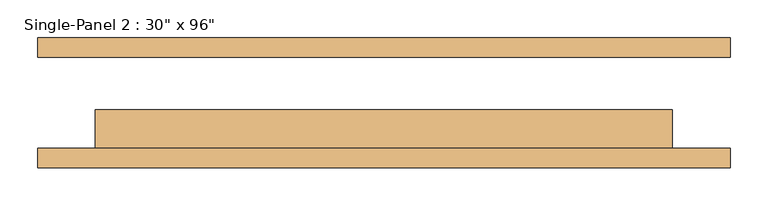
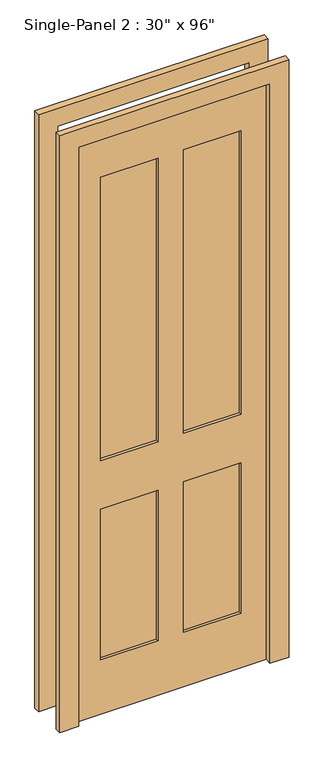
"""IFC4 building model written with IfcOpenShell, lengths in millimetres: door geometry."""

from ifc_helpers import new_model, si_unit, frame, origin, place, context, project, spatial, polyline, outline, extrude, source, transform, mapped, element, save


def door_abbc8d2f(model_context):
    return source(origin(), model_context, "Body", "SweptSolid", [
        extrude(outline(polyline([(-50.9240165, -22.225), (-50.9240165, -47.625), (-278.8511799, -47.625), (-278.8511799, -22.225), (-50.9240165, -22.225)])), frame((0.0, 0.0, 1068.1906173), z_axis=(0.0, 0.0, 1.0), x_axis=(1.0, 0.0, 0.0)), (0.0, 0.0, 1.0), 1194.0046757),
        extrude(outline(polyline([(279.9488201, -22.225), (279.9488201, -47.625), (50.6759835, -47.625), (50.6759835, -22.225), (279.9488201, -22.225)])), frame((0.0, 0.0, 1068.1906173), z_axis=(0.0, 0.0, 1.0), x_axis=(1.0, 0.0, 0.0)), (0.0, 0.0, 1.0), 1194.0046757),
        extrude(outline(polyline([(-50.9240165, -22.225), (-50.9240165, -47.625), (-278.8511799, -47.625), (-278.8511799, -22.225), (-50.9240165, -22.225)])), frame((0.0, 0.0, 230.195293), z_axis=(0.0, 0.0, 1.0), x_axis=(1.0, 0.0, 0.0)), (0.0, 0.0, 1.0), 635.0),
        extrude(outline(polyline([(279.9488201, -22.225), (279.9488201, -47.625), (50.6759835, -47.625), (50.6759835, -22.225), (279.9488201, -22.225)])), frame((0.0, 0.0, 230.195293), z_axis=(0.0, 0.0, 1.0), x_axis=(1.0, 0.0, 0.0)), (0.0, 0.0, 1.0), 634.7953243),
        extrude(outline(polyline([(2514.6, -457.2), (1.3906173, -457.2), (1.3906173, -381.1240165), (2439.7906173, -381.1240165), (2439.7906173, 380.8759835), (1.3906173, 380.8759835), (0.0, 457.2), (2514.6, 457.2), (2514.6, -457.2)])), frame((0.0, -85.725, 0.0), z_axis=(0.0, 1.0, 0.0), x_axis=(0.0, 0.0, 1.0)), (0.0, 0.0, 1.0), 25.4),
        extrude(outline(polyline([(2514.6, 457.2), (2514.6, -457.2), (1.3906173, -457.2), (1.3906173, -381.1240165), (2439.7906173, -381.1240165), (2439.7906173, 380.8759835), (1.3906173, 380.8759835), (0.0, 457.2), (2514.6, 457.2)])), frame((0.0, 60.325, 0.0), z_axis=(0.0, 1.0, 0.0), x_axis=(0.0, 0.0, 1.0)), (0.0, 0.0, 1.0), 25.4),
        extrude(outline(polyline([(2439.7906173, 380.8759835), (2439.7906173, -381.1240165), (1.3906173, -381.1240165), (1.3906173, 380.8759835), (2439.7906173, 380.8759835)]), holes=[polyline([(2262.195293, -50.9240165), (1068.1906173, -50.9240165), (1068.1906173, -278.8511799), (2262.195293, -278.8511799), (2262.195293, -50.9240165)]), polyline([(2262.195293, 279.9488201), (1068.1906173, 279.9488201), (1068.1906173, 50.6759835), (2262.195293, 50.6759835), (2262.195293, 279.9488201)]), polyline([(865.195293, -50.9240165), (230.195293, -50.9240165), (230.195293, -278.8511799), (865.195293, -278.8511799), (865.195293, -50.9240165)]), polyline([(864.9906173, 279.9488201), (230.195293, 279.9488201), (230.195293, 50.6759835), (864.9906173, 50.6759835), (864.9906173, 279.9488201)])]), frame((0.0, -60.325, 0.0), z_axis=(0.0, 1.0, 0.0), x_axis=(0.0, 0.0, 1.0)), (0.0, 0.0, 1.0), 50.8),
    ])


if __name__ == "__main__":
    model = new_model("IFC4")
    model_context = context("Model", 3, world=origin())
    ifc_project = project(units=[si_unit("LENGTHUNIT", "METRE", prefix="MILLI")], contexts=[model_context])
    site = spatial("IfcSite", under=ifc_project)
    building = spatial("IfcBuilding", under=site)
    placement = place(None, origin())
    door_shape = door_abbc8d2f(model_context)
    element("IfcDoor", 1, ObjectType="Single-Panel 2 : 30\" x 96\"", at=placement, inside=building, context=model_context, shape_type="MappedRepresentation", body=[
        mapped(door_shape, transform((0.0, 0.0, 0.0), x_axis=(1.0, 0.0, 0.0), y_axis=(0.0, 1.0, 0.0), z_axis=(0.0, 0.0, 1.0))),
    ])
    save(model, "model.ifc")
